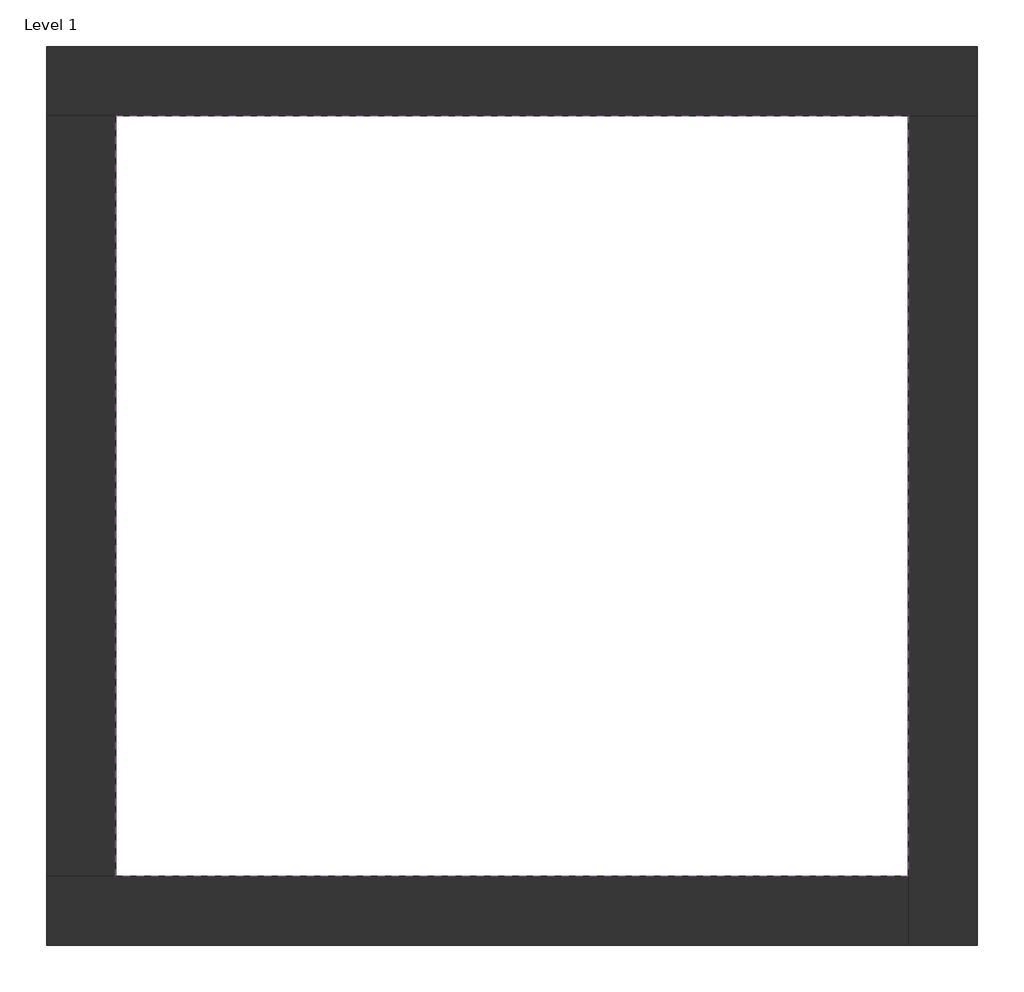
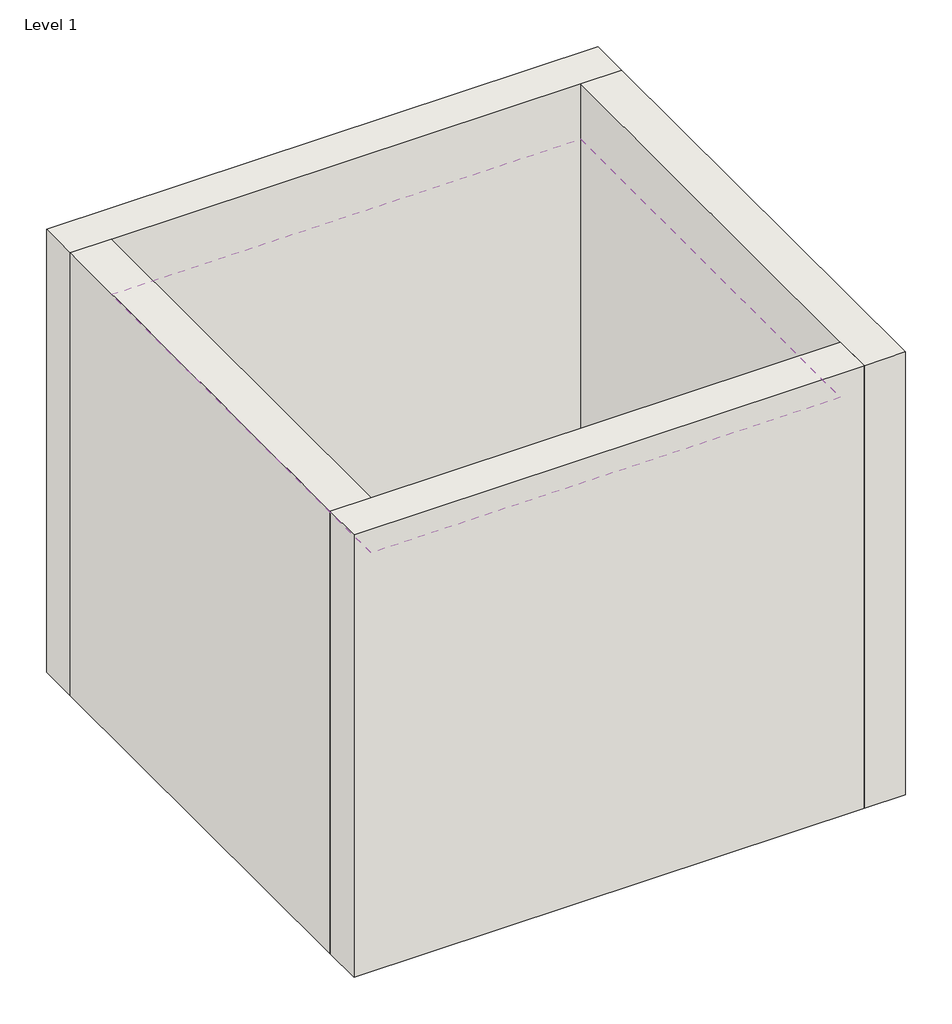
# One storey: 4 walls, 1 covering.
"""IFC4 building model written with IfcOpenShell, lengths in millimetres."""

from ifc_helpers import new_model, si_unit, frame, origin, origin_with_axes, place, context, project, spatial, polyline, outline, extrude, faceted_brep, element, save

model = new_model("IFC4")

# Units and contexts
model_context = context("Model", 3, world=origin())
ifc_project = project(units=[si_unit("LENGTHUNIT", "METRE", prefix="MILLI")], contexts=[model_context])

# Site, building, storey
site = spatial("IfcSite", under=ifc_project)
building = spatial("IfcBuilding", under=site)
storey = spatial("IfcBuildingStorey", under=building, Name="Level 1", Elevation=0.0)

# Covering
placement = place(None, origin())
element("IfcCovering", 1, at=placement, inside=storey, context=model_context, shape_type="SweptSolid", body=[
    extrude(outline(polyline([(-14894.8573003, 6921.2750283), (-10882.3573003, 6921.2750283), (-10882.3573003, 3071.2750283), (-14894.8573003, 3071.2750283), (-14894.8573003, 6921.2750283)])), frame((0.0, 0.0, 3500.0), z_axis=(0.0, 0.0, 1.0), x_axis=(1.0, 0.0, 0.0)), (0.0, 0.0, 1.0), 100.0),
])

# Walls
element("IfcWall", 2, ObjectType="Exterior - Brick on Mtl. Stud", at=placement, inside=storey, context=model_context, shape_type="Brep", body=[
    faceted_brep([(-15244.8573003, 6921.2750283, 0.0), (-14894.8573003, 6921.2750283, 0.0), (-10882.3573003, 6921.2750283, 0.0), (-10532.3573003, 6921.2750283, 0.0), (-10532.3573003, 6921.2750283, 4000.0), (-10882.3573003, 6921.2750283, 4000.0), (-14894.8573003, 6921.2750283, 4000.0), (-15244.8573003, 6921.2750283, 4000.0), (-15244.8573003, 7271.2750283, 0.0), (-15244.8573003, 7271.2750283, 4000.0), (-10532.3573003, 7271.2750283, 4000.0), (-10532.3573003, 7271.2750283, 0.0)], [[[0, 1, 2, 3, 4, 5, 6, 7]], [[8, 9, 10, 11]], [[3, 2, 1, 0, 8, 11]], [[7, 6, 5, 4, 10, 9]], [[0, 7, 9, 8]], [[4, 3, 11, 10]]]),
])
element("IfcWall", 3, ObjectType="Exterior - Brick on Mtl. Stud", at=placement, inside=storey, context=model_context, shape_type="Brep", body=[
    faceted_brep([(-10882.3573003, 6921.2750283, 0.0), (-10882.3573003, 3071.2750283, 0.0), (-10882.3573003, 2721.2750283, 0.0), (-10882.3573003, 2721.2750283, 4000.0), (-10882.3573003, 3071.2750283, 4000.0), (-10882.3573003, 6921.2750283, 4000.0), (-10532.3573003, 6921.2750283, 0.0), (-10532.3573003, 6921.2750283, 4000.0), (-10532.3573003, 2721.2750283, 4000.0), (-10532.3573003, 2721.2750283, 0.0)], [[[0, 1, 2, 3, 4, 5]], [[6, 7, 8, 9]], [[2, 1, 0, 6, 9]], [[5, 4, 3, 8, 7]], [[3, 2, 9, 8]], [[0, 5, 7, 6]]]),
])
element("IfcWall", 4, ObjectType="Exterior - Brick on Mtl. Stud", at=placement, inside=storey, context=model_context, shape_type="Brep", body=[
    faceted_brep([(-10882.3573003, 3071.2750283, 0.0), (-14894.8573003, 3071.2750283, 0.0), (-15244.8573003, 3071.2750283, 0.0), (-15244.8573003, 3071.2750283, 4000.0), (-14894.8573003, 3071.2750283, 4000.0), (-10882.3573003, 3071.2750283, 4000.0), (-10882.3573003, 2721.2750283, 0.0), (-10882.3573003, 2721.2750283, 4000.0), (-15244.8573003, 2721.2750283, 4000.0), (-15244.8573003, 2721.2750283, 0.0)], [[[0, 1, 2, 3, 4, 5]], [[6, 7, 8, 9]], [[2, 1, 0, 6, 9]], [[5, 4, 3, 8, 7]], [[3, 2, 9, 8]], [[0, 5, 7, 6]]]),
])
element("IfcWall", 5, ObjectType="Exterior - Brick on Mtl. Stud", at=placement, inside=storey, context=model_context, shape_type="SweptSolid", body=[
    extrude(outline(polyline([(-14894.8573003, 6921.2750283), (-14894.8573003, 3071.2750283), (-15244.8573003, 3071.2750283), (-15244.8573003, 6921.2750283), (-14894.8573003, 6921.2750283)])), origin_with_axes(), (0.0, 0.0, 1.0), 4000.0),
])

save(model, "model.ifc")
